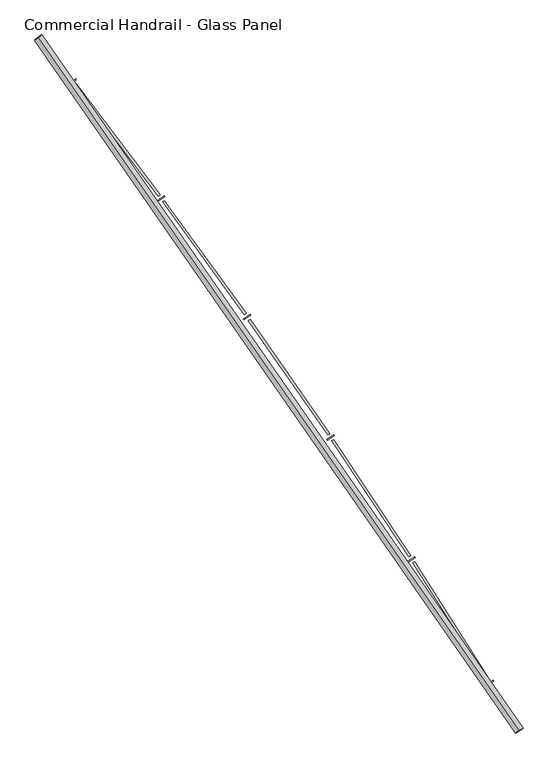
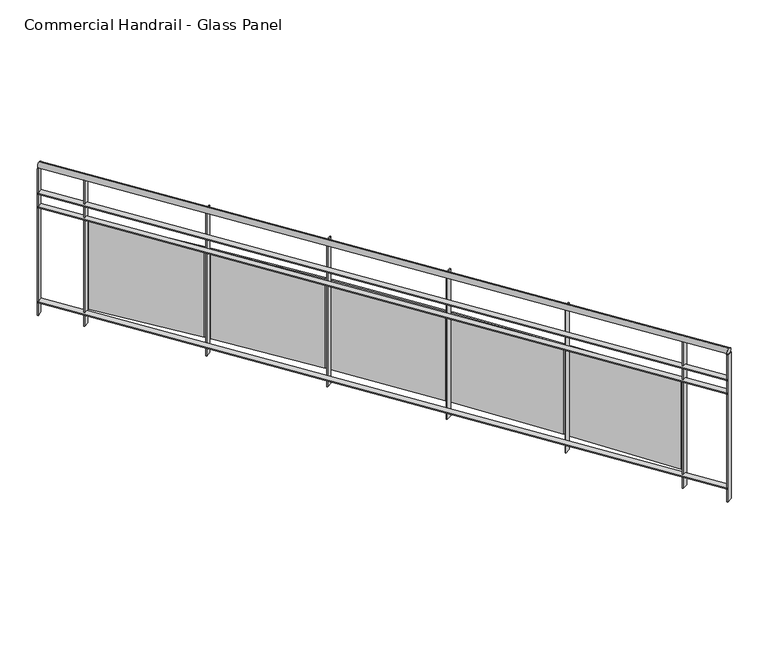
"""IFC4 building model written with IfcOpenShell, lengths in millimetres: railing geometry, Commercial Handrail - Glass Panel."""

from ifc_helpers import new_model, si_unit, point, frame, origin, place, context, project, spatial, polyline, circle_curve, ellipse_curve, trimmed, outline, extrude, source, transform, mapped, element, save
from ifc_brep_helpers import plane_surface, cylinder_surface, revolved_surface, advanced_brep


def commercial_handrail_glass_panel_2f21c3e0(model_context):
    return source(origin(), model_context, "Body", "SolidModel", [
        advanced_brep(
        [(174947.1226561, -30258.7265853, 29882.5), (172321.2493354, -26475.2644148, 29882.5), (172321.2493354, -26475.2644148, 29917.5), (174947.1226561, -30258.7265853, 29917.5)],
        [
            (0, 1, circle_curve(frame((141591.4318743, -50605.9420988, 29882.5), z_axis=(0.0, 0.0, 1.0), x_axis=(0.7864946016239663, 0.6175971515610791, 0.0)), 39071.873345)),
            (1, 2, ellipse_curve(frame((172321.2493354, -26475.2644148, 29900.0), z_axis=(0.6175971515610738, -0.7864946016239706, 0.0), x_axis=(-0.7864946016239706, -0.6175971515610738, 0.0)), 25.0, 17.5)),
            (2, 3, circle_curve(frame((141591.4318743, -50605.9420988, 29917.5), z_axis=(0.0, 0.0, -1.0), x_axis=(0.7864946016239663, 0.6175971515610791, 0.0)), 39071.873345)),
            (3, 0, ellipse_curve(frame((174947.1226561, -30258.7265853, 29900.0), z_axis=(-0.520763755908061, 0.8537008319853797, 0.0), x_axis=(-0.8537008319853797, -0.520763755908061, 0.0)), 25.0, 17.5)),
            (2, 1, ellipse_curve(frame((172321.2493354, -26475.2644148, 29900.0), z_axis=(0.6175971515610738, -0.7864946016239706, 0.0), x_axis=(-0.7864946016239706, -0.6175971515610738, 0.0)), 25.0, 17.5)),
            (0, 3, ellipse_curve(frame((174947.1226561, -30258.7265853, 29900.0), z_axis=(-0.520763755908061, 0.8537008319853797, 0.0), x_axis=(-0.8537008319853797, -0.520763755908061, 0.0)), 25.0, 17.5)),
        ],
        [
            revolved_surface(trimmed(ellipse_curve(frame((172321.2493354, -26475.2644148, 29900.0), z_axis=(-0.6175971515610791, 0.7864946016239663, 0.0), x_axis=(0.0, 0.0, -1.0)), 17.5, 25.0), [point((172321.2493354, -26475.2644148, 29917.5))], [point((172321.2493354, -26475.2644148, 29882.5))], True, "CARTESIAN"), (141591.4318743, -50605.9420988, 29900.0), (0.0, 0.0, -1.0)),
            revolved_surface(trimmed(ellipse_curve(frame((172321.2493354, -26475.2644148, 29900.0), z_axis=(-0.6175971515610791, 0.7864946016239663, 0.0), x_axis=(0.0, 0.0, -1.0)), 17.5, 25.0), [point((172321.2493354, -26475.2644148, 29882.5))], [point((172321.2493354, -26475.2644148, 29917.5))], True, "CARTESIAN"), (141591.4318743, -50605.9420988, 29900.0), (0.0, 0.0, -1.0)),
            plane_surface(frame((172321.2493354, -26475.2644148, 29900.0), z_axis=(-0.6175971515610791, 0.7864946016239663, 0.0), x_axis=(0.7864946016239663, 0.6175971515610791, 0.0))),
            plane_surface(frame((174947.1226561, -30258.7265853, 29900.0), z_axis=(0.5207637559080605, -0.85370083198538, 0.0), x_axis=(0.85370083198538, 0.5207637559080605, 0.0))),
        ],
        [
            (0, [[1, 2, 3, 4]]),
            (1, [[-3, 5, -1, 6]]),
            (2, [[-2, -5]]),
            (3, [[-6, -4]]),
        ],
    ),
        advanced_brep(
        [(174966.3309248, -30247.0094008, 29700.0), (172338.945464, -26461.3684789, 29700.0), (172303.5532069, -26489.1603507, 29700.0), (174927.9143874, -30270.4437698, 29700.0), (174966.3309248, -30247.0094008, 29694.0), (172338.945464, -26461.3684789, 29694.0), (174927.9143874, -30270.4437698, 29694.0), (172303.5532069, -26489.1603507, 29694.0)],
        [
            (0, 1, circle_curve(frame((141591.4318743, -50605.9420988, 29700.0), z_axis=(0.0, 0.0, 1.0), x_axis=(0.7864946016239663, 0.6175971515610791, 0.0)), 39094.373345)),
            (1, 2),
            (2, 3, circle_curve(frame((141591.4318743, -50605.9420988, 29700.0), z_axis=(0.0, 0.0, -1.0), x_axis=(0.7864946016239663, 0.6175971515610791, 0.0)), 39049.373345)),
            (3, 0),
            (4, 5, circle_curve(frame((141591.4318743, -50605.9420988, 29694.0), z_axis=(0.0, 0.0, 1.0), x_axis=(0.7864946016239663, 0.6175971515610791, 0.0)), 39094.373345)),
            (5, 1),
            (0, 4),
            (6, 7, circle_curve(frame((141591.4318743, -50605.9420988, 29694.0), z_axis=(0.0, 0.0, 1.0), x_axis=(0.7864946016239663, 0.6175971515610791, 0.0)), 39049.373345)),
            (7, 5),
            (4, 6),
            (2, 7),
            (6, 3),
        ],
        [
            plane_surface(frame((141591.4318743, -50605.9420988, 29700.0), z_axis=(0.0, 0.0, 1.0), x_axis=(0.7864946016239663, 0.6175971515610791, 0.0))),
            cylinder_surface(frame((141591.4318743, -50605.9420988, 29700.0), z_axis=(0.0, 0.0, -1.0), x_axis=(0.7864946016239663, 0.6175971515610791, 0.0)), 39094.373345),
            plane_surface(frame((141591.4318743, -50605.9420988, 29694.0), z_axis=(0.0, 0.0, -1.0), x_axis=(0.7864946016239663, 0.6175971515610791, 0.0))),
            revolved_surface(polyline([(172303.55320694132, -26489.160350682872, 29694.0), (172303.55320694132, -26489.160350682872, 29700.0)]), (141591.4318743, -50605.9420988, 29700.0), (0.0, 0.0, -1.0)),
            plane_surface(frame((172321.2493354, -26475.2644148, 29700.0), z_axis=(-0.6175971515610791, 0.7864946016239663, 0.0), x_axis=(0.7864946016239663, 0.6175971515610791, 0.0))),
            plane_surface(frame((174947.1226561, -30258.7265853, 29700.0), z_axis=(0.5207637559080605, -0.85370083198538, 0.0), x_axis=(0.85370083198538, 0.5207637559080605, 0.0))),
        ],
        [
            (0, [[1, 2, 3, 4]]),
            (1, [[5, 6, -1, 7]]),
            (2, [[8, 9, -5, 10]]),
            (3, [[-3, 11, -8, 12]]),
            (4, [[-2, -6, -9, -11]]),
            (5, [[-12, -10, -7, -4]]),
        ],
    ),
        advanced_brep(
        [(174966.3309248, -30247.0094008, 29600.0), (172338.945464, -26461.3684789, 29600.0), (172303.5532069, -26489.1603507, 29600.0), (174927.9143874, -30270.4437698, 29600.0), (174966.3309248, -30247.0094008, 29594.0), (172338.945464, -26461.3684789, 29594.0), (174927.9143874, -30270.4437698, 29594.0), (172303.5532069, -26489.1603507, 29594.0)],
        [
            (0, 1, circle_curve(frame((141591.4318743, -50605.9420988, 29600.0), z_axis=(0.0, 0.0, 1.0), x_axis=(0.7864946016239663, 0.6175971515610791, 0.0)), 39094.373345)),
            (1, 2),
            (2, 3, circle_curve(frame((141591.4318743, -50605.9420988, 29600.0), z_axis=(0.0, 0.0, -1.0), x_axis=(0.7864946016239663, 0.6175971515610791, 0.0)), 39049.373345)),
            (3, 0),
            (4, 5, circle_curve(frame((141591.4318743, -50605.9420988, 29594.0), z_axis=(0.0, 0.0, 1.0), x_axis=(0.7864946016239663, 0.6175971515610791, 0.0)), 39094.373345)),
            (5, 1),
            (0, 4),
            (6, 7, circle_curve(frame((141591.4318743, -50605.9420988, 29594.0), z_axis=(0.0, 0.0, 1.0), x_axis=(0.7864946016239663, 0.6175971515610791, 0.0)), 39049.373345)),
            (7, 5),
            (4, 6),
            (2, 7),
            (6, 3),
        ],
        [
            plane_surface(frame((141591.4318743, -50605.9420988, 29600.0), z_axis=(0.0, 0.0, 1.0), x_axis=(0.7864946016239663, 0.6175971515610791, 0.0))),
            cylinder_surface(frame((141591.4318743, -50605.9420988, 29600.0), z_axis=(0.0, 0.0, -1.0), x_axis=(0.7864946016239663, 0.6175971515610791, 0.0)), 39094.373345),
            plane_surface(frame((141591.4318743, -50605.9420988, 29594.0), z_axis=(0.0, 0.0, -1.0), x_axis=(0.7864946016239663, 0.6175971515610791, 0.0))),
            revolved_surface(polyline([(172303.55320694132, -26489.160350682872, 29594.0), (172303.55320694132, -26489.160350682872, 29600.0)]), (141591.4318743, -50605.9420988, 29600.0), (0.0, 0.0, -1.0)),
            plane_surface(frame((172321.2493354, -26475.2644148, 29600.0), z_axis=(-0.6175971515610791, 0.7864946016239663, 0.0), x_axis=(0.7864946016239663, 0.6175971515610791, 0.0))),
            plane_surface(frame((174947.1226561, -30258.7265853, 29600.0), z_axis=(0.5207637559080605, -0.85370083198538, 0.0), x_axis=(0.85370083198538, 0.5207637559080605, 0.0))),
        ],
        [
            (0, [[1, 2, 3, 4]]),
            (1, [[5, 6, -1, 7]]),
            (2, [[8, 9, -5, 10]]),
            (3, [[-3, 11, -8, 12]]),
            (4, [[-2, -6, -9, -11]]),
            (5, [[-12, -10, -7, -4]]),
        ],
    ),
        advanced_brep(
        [(174966.3309248, -30247.0094008, 28900.0), (172338.945464, -26461.3684789, 28900.0), (172303.5532069, -26489.1603507, 28900.0), (174927.9143874, -30270.4437698, 28900.0), (174966.3309248, -30247.0094008, 28894.0), (172338.945464, -26461.3684789, 28894.0), (174927.9143874, -30270.4437698, 28894.0), (172303.5532069, -26489.1603507, 28894.0)],
        [
            (0, 1, circle_curve(frame((141591.4318743, -50605.9420988, 28900.0), z_axis=(0.0, 0.0, 1.0), x_axis=(0.7864946016239663, 0.6175971515610791, 0.0)), 39094.373345)),
            (1, 2),
            (2, 3, circle_curve(frame((141591.4318743, -50605.9420988, 28900.0), z_axis=(0.0, 0.0, -1.0), x_axis=(0.7864946016239663, 0.6175971515610791, 0.0)), 39049.373345)),
            (3, 0),
            (4, 5, circle_curve(frame((141591.4318743, -50605.9420988, 28894.0), z_axis=(0.0, 0.0, 1.0), x_axis=(0.7864946016239663, 0.6175971515610791, 0.0)), 39094.373345)),
            (5, 1),
            (0, 4),
            (6, 7, circle_curve(frame((141591.4318743, -50605.9420988, 28894.0), z_axis=(0.0, 0.0, 1.0), x_axis=(0.7864946016239663, 0.6175971515610791, 0.0)), 39049.373345)),
            (7, 5),
            (4, 6),
            (2, 7),
            (6, 3),
        ],
        [
            plane_surface(frame((141591.4318743, -50605.9420988, 28900.0), z_axis=(0.0, 0.0, 1.0), x_axis=(0.7864946016239663, 0.6175971515610791, 0.0))),
            cylinder_surface(frame((141591.4318743, -50605.9420988, 28900.0), z_axis=(0.0, 0.0, -1.0), x_axis=(0.7864946016239663, 0.6175971515610791, 0.0)), 39094.373345),
            plane_surface(frame((141591.4318743, -50605.9420988, 28894.0), z_axis=(0.0, 0.0, -1.0), x_axis=(0.7864946016239663, 0.6175971515610791, 0.0))),
            revolved_surface(polyline([(172303.55320694132, -26489.160350682872, 28894.0), (172303.55320694132, -26489.160350682872, 28900.0)]), (141591.4318743, -50605.9420988, 28900.0), (0.0, 0.0, -1.0)),
            plane_surface(frame((172321.2493354, -26475.2644148, 28900.0), z_axis=(-0.6175971515610791, 0.7864946016239663, 0.0), x_axis=(0.7864946016239663, 0.6175971515610791, 0.0))),
            plane_surface(frame((174947.1226561, -30258.7265853, 28900.0), z_axis=(0.5207637559080605, -0.85370083198538, 0.0), x_axis=(0.85370083198538, 0.5207637559080605, 0.0))),
        ],
        [
            (0, [[1, 2, 3, 4]]),
            (1, [[5, 6, -1, 7]]),
            (2, [[8, 9, -5, 10]]),
            (3, [[-3, 11, -8, 12]]),
            (4, [[-2, -6, -9, -11]]),
            (5, [[-12, -10, -7, -4]]),
        ],
    ),
        extrude(outline(polyline([(174767.0827529, -30009.1035934), (174805.3157733, -29985.3709966), (174808.4801195, -29990.4687326), (174770.2470991, -30014.2013295), (174767.0827529, -30009.1035934)])), frame((0.0, 0.0, 28800.0), z_axis=(0.0, 0.0, 1.0), x_axis=(1.0, 0.0, 0.0)), (0.0, 0.0, 1.0), 1082.1192282),
        extrude(outline(polyline([(174376.4508905, -29337.0184477), (174783.8574789, -29978.5945319), (174773.7273302, -29985.0272675), (174366.3207418, -29343.4511834), (174376.4508905, -29337.0184477)])), frame((0.0, 0.0, 28920.0), z_axis=(0.0, 0.0, 1.0), x_axis=(1.0, 0.0, 0.0)), (0.0, 0.0, 1.0), 660.0),
        extrude(outline(polyline([(174338.4363039, -29334.1939685), (174376.1754174, -29309.6835764), (174379.4434696, -29314.7154582), (174341.7043562, -29339.2258503), (174338.4363039, -29334.1939685)])), frame((0.0, 0.0, 28800.0), z_axis=(0.0, 0.0, 1.0), x_axis=(1.0, 0.0, 0.0)), (0.0, 0.0, 1.0), 1082.1192282),
        extrude(outline(polyline([(173934.1262806, -28670.2473592), (174354.5828818, -29303.3478619), (174344.5865581, -29309.9866503), (173924.1299568, -28676.8861476), (173934.1262806, -28670.2473592)])), frame((0.0, 0.0, 28920.0), z_axis=(0.0, 0.0, 1.0), x_axis=(1.0, 0.0, 0.0)), (0.0, 0.0, 1.0), 660.0),
        extrude(outline(polyline([(173896.0618347, -28668.2017695), (173933.2912204, -28642.9238574), (173936.6616087, -28647.8877755), (173899.432223, -28673.1656876), (173896.0618347, -28668.2017695)])), frame((0.0, 0.0, 28800.0), z_axis=(0.0, 0.0, 1.0), x_axis=(1.0, 0.0, 0.0)), (0.0, 0.0, 1.0), 1082.1192282),
        extrude(outline(polyline([(173478.243143, -28012.6720327), (173911.5734956, -28637.031549), (173901.7151874, -28643.8736072), (173468.3848349, -28019.5140909), (173478.243143, -28012.6720327)])), frame((0.0, 0.0, 28920.0), z_axis=(0.0, 0.0, 1.0), x_axis=(1.0, 0.0, 0.0)), (0.0, 0.0, 1.0), 660.0),
        extrude(outline(polyline([(173440.1447951, -28011.4061902), (173476.848846, -27985.3713549), (173480.3201573, -27990.2652284), (173443.6161065, -28016.3000637), (173440.1447951, -28011.4061902)])), frame((0.0, 0.0, 28800.0), z_axis=(0.0, 0.0, 1.0), x_axis=(1.0, 0.0, 0.0)), (0.0, 0.0, 1.0), 1082.1192282),
        extrude(outline(polyline([(173008.9925907, -27364.5681335), (173455.0150362, -27979.9249228), (173445.2988764, -27986.9673824), (172999.2764309, -27371.6105932), (173008.9925907, -27364.5681335)])), frame((0.0, 0.0, 28920.0), z_axis=(0.0, 0.0, 1.0), x_axis=(1.0, 0.0, 0.0)), (0.0, 0.0, 1.0), 660.0),
        extrude(outline(polyline([(172970.876312, -27364.0825688), (173007.0396412, -27337.3017244), (173010.6104205, -27342.1235017), (172974.4470913, -27368.904346), (172970.876312, -27364.0825688)])), frame((0.0, 0.0, 28800.0), z_axis=(0.0, 0.0, 1.0), x_axis=(1.0, 0.0, 0.0)), (0.0, 0.0, 1.0), 1082.1192282),
        extrude(outline(polyline([(172526.5713403, -26726.207356), (172985.0988996, -27332.3034518), (172975.5289613, -27339.5433607), (172517.0014019, -26733.4472649), (172526.5713403, -26726.207356)])), frame((0.0, 0.0, 28920.0), z_axis=(0.0, 0.0, 1.0), x_axis=(1.0, 0.0, 0.0)), (0.0, 0.0, 1.0), 660.0),
        extrude(outline(polyline([(172488.4531098, -26726.5022727), (172524.0605571, -26698.9866462), (172527.7293072, -26703.7343059), (172492.12186, -26731.2499323), (172488.4531098, -26726.5022727)])), frame((0.0, 0.0, 28800.0), z_axis=(0.0, 0.0, 1.0), x_axis=(1.0, 0.0, 0.0)), (0.0, 0.0, 1.0), 1082.1192282),
        extrude(outline(polyline([(174926.3520961, -30267.8826673), (174964.7686336, -30244.4482983), (174967.8932161, -30249.5705033), (174929.4766787, -30273.0048723), (174926.3520961, -30267.8826673)])), frame((0.0, 0.0, 28800.0), z_axis=(0.0, 0.0, 1.0), x_axis=(1.0, 0.0, 0.0)), (0.0, 0.0, 1.0), 1082.1192282),
        extrude(outline(polyline([(172301.7004154, -26486.8008669), (172337.0926725, -26459.0089951), (172340.7982554, -26463.7279627), (172305.4059984, -26491.5198345), (172301.7004154, -26486.8008669)])), frame((0.0, 0.0, 28800.0), z_axis=(0.0, 0.0, 1.0), x_axis=(1.0, 0.0, 0.0)), (0.0, 0.0, 1.0), 1082.1192282),
    ])


if __name__ == "__main__":
    model = new_model("IFC4")
    model_context = context("Model", 3, world=origin())
    ifc_project = project(units=[si_unit("LENGTHUNIT", "METRE", prefix="MILLI")], contexts=[model_context])
    site = spatial("IfcSite", under=ifc_project)
    building = spatial("IfcBuilding", under=site)
    placement = place(None, origin())
    commercial_handrail_glass_panel_shape = commercial_handrail_glass_panel_2f21c3e0(model_context)
    element("IfcRailing", 1, ObjectType="Commercial Handrail - Glass Panel", at=placement, inside=building, context=model_context, shape_type="MappedRepresentation", body=[
        mapped(commercial_handrail_glass_panel_shape, transform((0.0, 0.0, 0.0), x_axis=(1.0, 0.0, 0.0), y_axis=(0.0, 1.0, 0.0), z_axis=(0.0, 0.0, 1.0))),
    ])
    save(model, "model.ifc")
